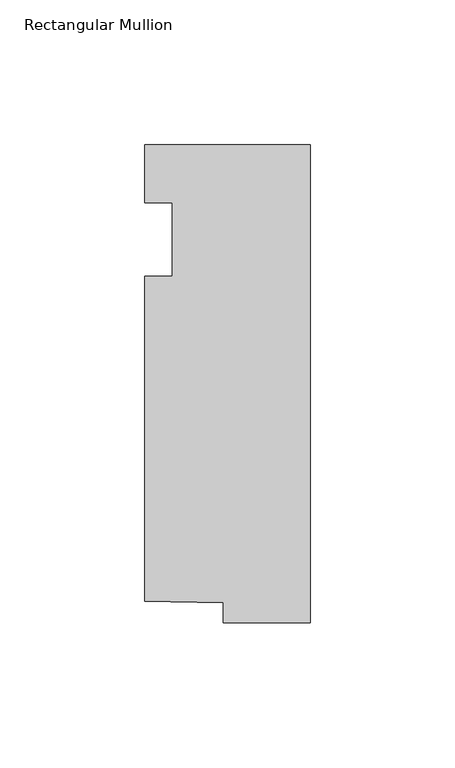
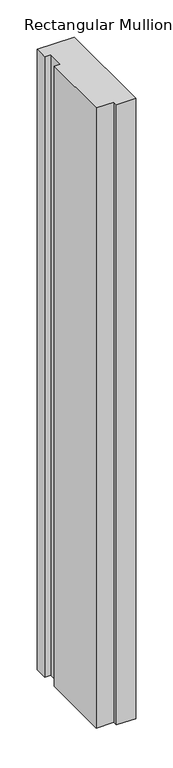
"""IFC4 building model written with IfcOpenShell, lengths in millimetres: member geometry, Rectangular Mullion."""

from ifc_helpers import new_model, si_unit, frame, origin, place, context, project, spatial, polyline, outline, extrude, source, transform, mapped, element, save


def rectangular_mullion_cb85aaba(model_context):
    return source(origin(), model_context, "Body", "SweptSolid", [
        extrude(outline(polyline([(-57.15, 20.0421875), (0.0, 20.0421875), (0.0, -145.0578125), (-30.1058007, -145.0578125), (-30.1058007, -138.1500349), (-57.15, -137.6601403), (-57.15, -25.4), (-47.625, -25.4), (-47.625, 0.0), (-57.15, 0.0), (-57.15, 20.0421875)])), frame((0.0, 0.0, -1016.0), z_axis=(0.0, 0.0, 1.0), x_axis=(1.0, 0.0, 0.0)), (0.0, 0.0, 1.0), 1016.0),
    ])


if __name__ == "__main__":
    model = new_model("IFC4")
    model_context = context("Model", 3, world=origin())
    ifc_project = project(units=[si_unit("LENGTHUNIT", "METRE", prefix="MILLI")], contexts=[model_context])
    site = spatial("IfcSite", under=ifc_project)
    building = spatial("IfcBuilding", under=site)
    placement = place(None, origin())
    rectangular_mullion_shape = rectangular_mullion_cb85aaba(model_context)
    element("IfcMember", 1, ObjectType="Rectangular Mullion", at=placement, inside=building, context=model_context, shape_type="MappedRepresentation", body=[
        mapped(rectangular_mullion_shape, transform((0.0, 0.0, 0.0), x_axis=(1.0, 0.0, 0.0), y_axis=(0.0, 1.0, 0.0), z_axis=(0.0, 0.0, 1.0))),
    ])
    save(model, "model.ifc")
